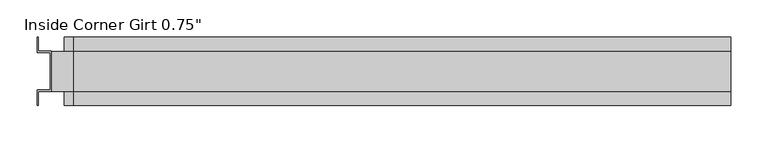
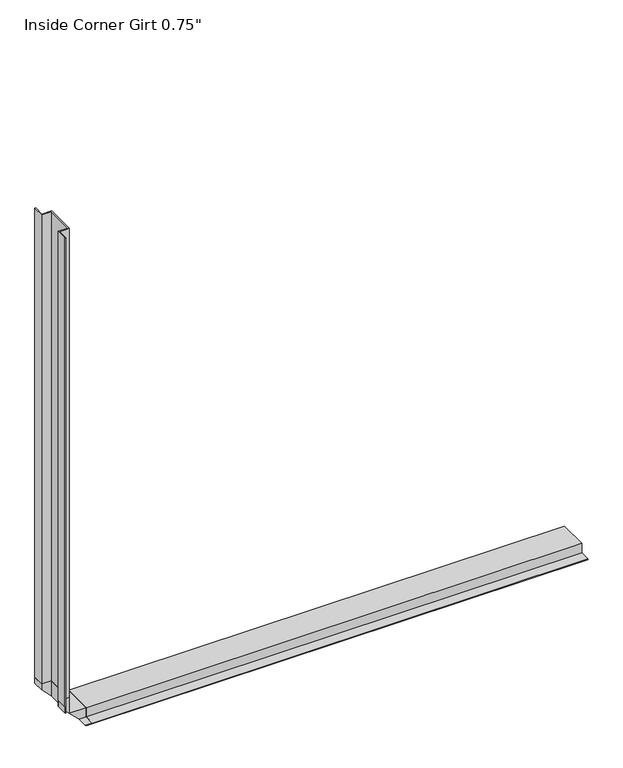
"""IFC4 building model written with IfcOpenShell, lengths in millimetres: proxy geometry."""

from ifc_helpers import new_model, si_unit, frame, origin, place, context, project, spatial, polyline, outline, extrude, faceted_brep, source, transform, mapped, element, save


def proxy_4923b23b(model_context):
    return source(origin(), model_context, "Body", "SolidModel", [
        extrude(outline(polyline([(171.45, 46.0559645), (173.0633, 46.0559645), (173.0633, 27.0129), (190.5254, 27.0129), (190.5254, -27.0129), (173.0633, -27.0129), (173.0633, -46.0559645), (171.45, -46.0559645), (171.45, -25.4), (188.9125, -25.4), (188.9125, 25.4), (171.45, 25.4), (171.45, 46.0559645)])), frame((0.0, 0.0, 220.6625), z_axis=(0.0, 0.0, 1.0), x_axis=(1.0, 0.0, 0.0)), (0.0, 0.0, 1.0), 882.65),
        extrude(outline(polyline([(46.0559645, 171.45), (25.4, 171.45), (25.4, 188.9125), (-25.4, 188.9125), (-25.4, 171.45), (-46.0559645, 171.45), (-46.0559645, 173.0633), (-27.0129, 173.0633), (-27.0129, 190.5254), (27.0129, 190.5254), (27.0129, 173.0633), (46.0559645, 173.0633), (46.0559645, 171.45)])), frame((220.6625, 0.0, 0.0), z_axis=(1.0, 0.0, 0.0), x_axis=(0.0, 1.0, 0.0)), (0.0, 0.0, 1.0), 882.65),
        extrude(outline(polyline([(220.6625, 173.0633), (220.6625, 171.45), (209.6008, 171.45), (207.9875, 173.0633), (220.6625, 173.0633)])), frame((0.0, -46.0559645, 0.0), z_axis=(0.0, 1.0, 0.0), x_axis=(0.0, 0.0, 1.0)), (0.0, 0.0, 1.0), 19.0430645),
        extrude(outline(polyline([(171.45, 220.6625), (173.0633, 220.6625), (173.0633, 207.9875), (171.45, 209.6008), (171.45, 220.6625)])), frame((0.0, -46.0559645, 0.0), z_axis=(0.0, 1.0, 0.0), x_axis=(0.0, 0.0, 1.0)), (0.0, 0.0, 1.0), 19.0430645),
        faceted_brep([(171.45, 25.4, 220.6625), (188.9125, 25.4, 220.6625), (188.9125, -25.4, 220.6625), (171.45, -25.4, 220.6625), (171.45, -27.0129, 220.6625), (190.5254, -27.0129, 220.6625), (190.5254, 27.0129, 220.6625), (173.0633, 27.0129, 220.6625), (173.0633, 46.0559645, 220.6625), (171.45, 46.0559645, 220.6625), (171.45, 25.4, 209.6008), (188.9125, 25.4, 192.1383), (220.6625, 25.4, 171.45), (220.6625, 25.4, 188.9125), (192.1383, 25.4, 188.9125), (209.6008, 25.4, 171.45), (188.9125, -25.4, 192.1383), (171.45, -25.4, 209.6008), (220.6625, -25.4, 188.9125), (220.6625, -25.4, 171.45), (209.6008, -25.4, 171.45), (192.1383, -25.4, 188.9125), (171.45, -27.0129, 209.6008), (190.5254, -27.0129, 190.5254), (220.6625, -27.0129, 171.45), (220.6625, -27.0129, 190.5254), (209.6008, -27.0129, 171.45), (190.5254, 27.0129, 190.5254), (173.0633, 27.0129, 207.9875), (220.6625, 27.0129, 190.5254), (220.6625, 27.0129, 173.0633), (207.9875, 27.0129, 173.0633), (173.0633, 46.0559645, 207.9875), (171.45, 46.0559645, 209.6008), (220.6625, 46.0559645, 173.0633), (220.6625, 46.0559645, 171.45), (209.6008, 46.0559645, 171.45), (207.9875, 46.0559645, 173.0633)], [[[0, 1, 2, 3, 4, 5, 6, 7, 8, 9]], [[1, 0, 10, 11]], [[12, 13, 14, 15]], [[2, 1, 11, 16]], [[3, 2, 16, 17]], [[18, 19, 20, 21]], [[4, 3, 17, 22]], [[5, 4, 22, 23]], [[24, 25, 23, 26]], [[6, 5, 23, 27]], [[7, 6, 27, 28]], [[27, 29, 30, 31]], [[8, 7, 28, 32]], [[9, 8, 32, 33]], [[34, 35, 36, 37]], [[0, 9, 33, 10]], [[13, 12, 35, 34, 30, 29, 25, 24, 19, 18]], [[13, 18, 21, 14]], [[19, 24, 26, 20]], [[23, 25, 29, 27]], [[30, 34, 37, 31]], [[35, 12, 15, 36]], [[23, 27, 31, 37, 36, 15, 14, 21, 20, 26]], [[27, 23, 22, 17, 16, 11, 10, 33, 32, 28]]]),
    ])


if __name__ == "__main__":
    model = new_model("IFC4")
    model_context = context("Model", 3, world=origin())
    ifc_project = project(units=[si_unit("LENGTHUNIT", "METRE", prefix="MILLI")], contexts=[model_context])
    site = spatial("IfcSite", under=ifc_project)
    building = spatial("IfcBuilding", under=site)
    placement = place(None, origin())
    proxy_shape = proxy_4923b23b(model_context)
    element("IfcBuildingElementProxy", 1, Name="Inside Corner Girt 0.75\"", ObjectType="Inside Corner Girt 0.75\"", at=placement, inside=building, context=model_context, shape_type="MappedRepresentation", body=[
        mapped(proxy_shape, transform((0.0, 0.0, 0.0), x_axis=(1.0, 0.0, 0.0), y_axis=(0.0, 1.0, 0.0), z_axis=(0.0, 0.0, 1.0))),
    ])
    save(model, "model.ifc")
